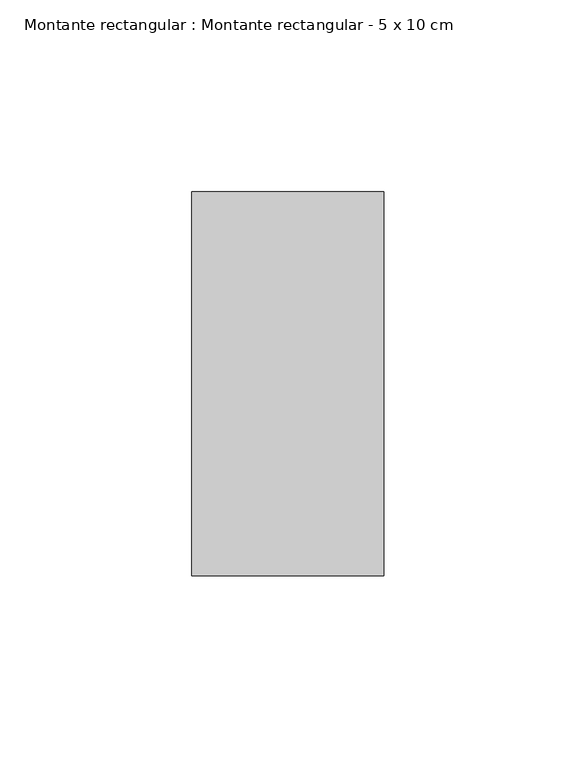
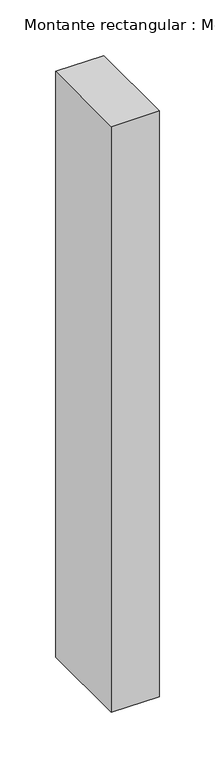
"""IFC4 building model written with IfcOpenShell, lengths in millimetres: member geometry, Montante rectangular : Montante rectangular - 5 x 10 cm."""

from ifc_helpers import new_model, si_unit, frame, origin, place, context, project, spatial, polyline, outline, extrude, source, transform, mapped, element, save


def montante_rectangular_montante_rectangular_5_x_10_cm_bb5ed2d1(model_context):
    return source(origin(), model_context, "Body", "SweptSolid", [
        extrude(outline(polyline([(0.0, 50.0), (0.0, -50.0), (-50.0, -50.0), (-50.0, 50.0), (0.0, 50.0)])), frame((0.0, 0.0, -643.8059951), z_axis=(0.0, 0.0, 1.0), x_axis=(1.0, 0.0, 0.0)), (0.0, 0.0, 1.0), 643.8059951),
    ])


if __name__ == "__main__":
    model = new_model("IFC4")
    model_context = context("Model", 3, world=origin())
    ifc_project = project(units=[si_unit("LENGTHUNIT", "METRE", prefix="MILLI")], contexts=[model_context])
    site = spatial("IfcSite", under=ifc_project)
    building = spatial("IfcBuilding", under=site)
    placement = place(None, origin())
    montante_rectangular_montante_rectangular_5_x_10_cm_shape = montante_rectangular_montante_rectangular_5_x_10_cm_bb5ed2d1(model_context)
    element("IfcMember", 1, ObjectType="Montante rectangular : Montante rectangular - 5 x 10 cm", at=placement, inside=building, context=model_context, shape_type="MappedRepresentation", body=[
        mapped(montante_rectangular_montante_rectangular_5_x_10_cm_shape, transform((0.0, 0.0, 0.0), x_axis=(1.0, 0.0, 0.0), y_axis=(0.0, 1.0, 0.0), z_axis=(0.0, 0.0, 1.0))),
    ])
    save(model, "model.ifc")
